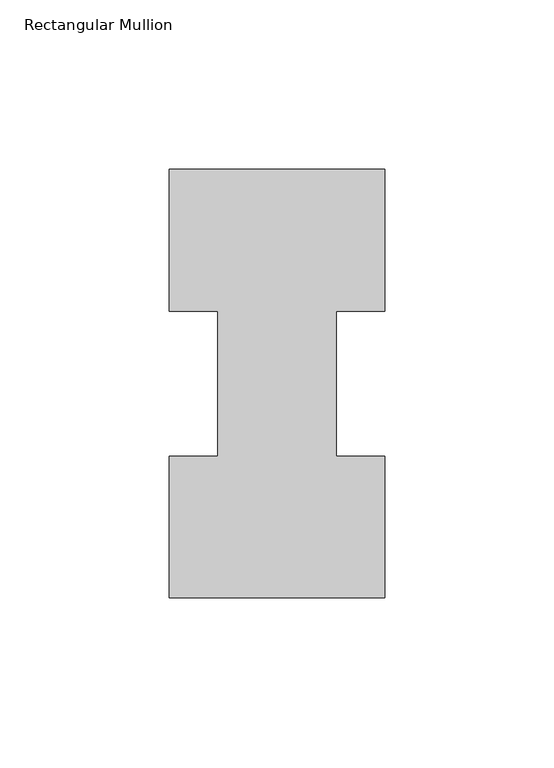
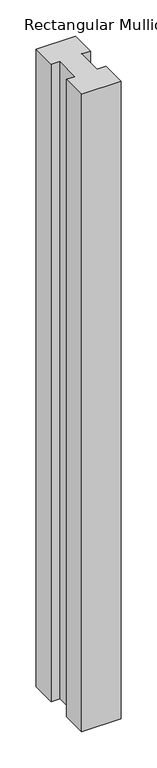
"""IFC4 building model written with IfcOpenShell, lengths in millimetres: member geometry, Rectangular Mullion."""

import ifcopenshell
import ifcopenshell.guid

model = None  # the IFC model being written
_history = None  # IfcOwnerHistory: only IFC2X3 demands one
_inside = {}  # id of a spatial element -> (the spatial element, [elements in it])
_under = {}  # id of a project, library or spatial element -> (it, [spatial elements below it])
_declared = {}  # id of a project -> (the project, [libraries it declares])
_typed = {}  # id of a type object -> (the type object, [elements of that type])
_made_of = {}  # id of a material, layer set ... -> (it, [elements and type objects made of it])


def new_model(schema):
    """Start an empty IFC model of exactly this schema.

    Asked for "IFC4X3", IfcOpenShell would pick the latest addendum, in which some entities
    have other attributes; the version numbers below select the first issue.
    IFC2X3 requires an IfcOwnerHistory on every rooted entity: one is made here for all.
    """
    global model, _history
    if schema == "IFC4X3":
        model = ifcopenshell.file(schema_version=(4, 3, 0, 0))
    else:
        model = ifcopenshell.file(schema=schema)
    _inside.clear()
    _under.clear()
    _declared.clear()
    _typed.clear()
    _made_of.clear()
    _history = None
    if model.schema == "IFC2X3":
        org = make("IfcOrganization", Name="unknown")
        user = make(
            "IfcPersonAndOrganization",
            ThePerson=make("IfcPerson", FamilyName="unknown"),
            TheOrganization=org,
        )
        app = make(
            "IfcApplication",
            ApplicationDeveloper=org,
            Version="unknown",
            ApplicationFullName="unknown",
            ApplicationIdentifier="unknown",
        )
        _history = make(
            "IfcOwnerHistory",
            OwningUser=user,
            OwningApplication=app,
            ChangeAction="ADDED",
            CreationDate=0,
        )
    return model


def make(cls, **values):
    """One entity of the class cls with the attributes given. An attribute that is None is left unset."""
    return model.create_entity(
        cls, **{name: value for name, value in values.items() if value is not None}
    )


def rooted(cls, **values):
    """An entity with a GlobalId (a new one), such as an element, a storey or a relation."""
    return make(cls, GlobalId=ifcopenshell.guid.new(), OwnerHistory=_history, **values)


def si_unit(unit_type, name, prefix=None):
    """IfcSIUnit, for example si_unit("LENGTHUNIT", "METRE", prefix="MILLI")."""
    return make("IfcSIUnit", UnitType=unit_type, Prefix=prefix, Name=name)


def assignment(units):
    """IfcUnitAssignment: the units of a project."""
    return None if units is None else make("IfcUnitAssignment", Units=units)


def point(xyz):
    """IfcCartesianPoint."""
    return None if xyz is None else make("IfcCartesianPoint", Coordinates=xyz)


def direction(xyz):
    """IfcDirection."""
    return None if xyz is None else make("IfcDirection", DirectionRatios=xyz)


def frame(location, z_axis=None, x_axis=None):
    """IfcAxis2Placement3D, a coordinate frame: its origin and axes. An axis left out is left unset."""
    return make(
        "IfcAxis2Placement3D",
        Location=point(location),
        Axis=direction(z_axis),
        RefDirection=direction(x_axis),
    )


def origin():
    """The frame at (0, 0, 0) with its axes left unset."""
    return frame((0.0, 0.0, 0.0))


def place(relative_to, where):
    """IfcLocalPlacement: puts the frame where relative to a parent placement (None: the world)."""
    return make(
        "IfcLocalPlacement", PlacementRelTo=relative_to, RelativePlacement=where
    )


def context(
    kind, dimensions, precision=None, world=None, true_north=None, identifier=None
):
    """IfcGeometricRepresentationContext, for example the 3D "Model" context."""
    return make(
        "IfcGeometricRepresentationContext",
        ContextIdentifier=identifier,
        ContextType=kind,
        CoordinateSpaceDimension=dimensions,
        Precision=precision,
        WorldCoordinateSystem=world,
        TrueNorth=true_north,
    )


def project(units=None, contexts=None):
    """IfcProject with its units and contexts."""
    return rooted(
        "IfcProject",
        Name="project",
        RepresentationContexts=contexts,
        UnitsInContext=assignment(units),
    )


def spatial(cls, under=None, at=None, **own):
    """A site, building, storey or space (cls), placed at a placement, below another one or the project."""
    s = rooted(cls, ObjectPlacement=at, **own)
    if under is not None:
        _under.setdefault(under.id(), (under, []))[1].append(s)
    return s


def polyline(points):
    """IfcPolyline through the points."""
    return make("IfcPolyline", Points=[point(p) for p in points])


def outline(outer, holes=None, kind="AREA"):
    """IfcArbitraryClosedProfileDef: a profile drawn as a closed curve; with holes, ...WithVoids."""
    if holes is None:
        return make("IfcArbitraryClosedProfileDef", ProfileType=kind, OuterCurve=outer)
    return make(
        "IfcArbitraryProfileDefWithVoids",
        ProfileType=kind,
        OuterCurve=outer,
        InnerCurves=holes,
    )


def extrude(swept, where, along, depth):
    """IfcExtrudedAreaSolid: the profile swept, set in the frame where, extruded along a direction by depth."""
    return make(
        "IfcExtrudedAreaSolid",
        SweptArea=swept,
        Position=where,
        ExtrudedDirection=direction(along),
        Depth=depth,
    )


def shape(context_of_items, identifier, shape_type, items):
    """IfcShapeRepresentation: the items that make up one representation, for example the "Body"."""
    return make(
        "IfcShapeRepresentation",
        ContextOfItems=context_of_items,
        RepresentationIdentifier=identifier,
        RepresentationType=shape_type,
        Items=items,
    )


def source(mapping_origin, context_of_items, identifier, shape_type, items):
    """IfcRepresentationMap: a shape defined once, which mapped items show again and again."""
    return make(
        "IfcRepresentationMap",
        MappingOrigin=mapping_origin,
        MappedRepresentation=shape(context_of_items, identifier, shape_type, items),
    )


def transform(
    local_origin,
    x_axis=None,
    y_axis=None,
    z_axis=None,
    scale=None,
    scale2=None,
    scale3=None,
    uniform=True,
):
    """IfcCartesianTransformationOperator3D, or its non-uniform kind. x_axis, y_axis, z_axis: its Axis1, 2, 3."""
    if uniform:
        return make(
            "IfcCartesianTransformationOperator3D",
            Axis1=direction(x_axis),
            Axis2=direction(y_axis),
            LocalOrigin=point(local_origin),
            Scale=scale,
            Axis3=direction(z_axis),
        )
    return make(
        "IfcCartesianTransformationOperator3DnonUniform",
        Axis1=direction(x_axis),
        Axis2=direction(y_axis),
        LocalOrigin=point(local_origin),
        Scale=scale,
        Axis3=direction(z_axis),
        Scale2=scale2,
        Scale3=scale3,
    )


def mapped(mapping_source, mapping_target):
    """IfcMappedItem: shows the shape of a source again, moved by a transform."""
    return make(
        "IfcMappedItem", MappingSource=mapping_source, MappingTarget=mapping_target
    )


def made_of(thing, what):
    """Note that an element or type object is made of a material, layer set ...; save() writes the relation."""
    if what is not None:
        _made_of.setdefault(what.id(), (what, []))[1].append(thing)
    return thing


def element(
    cls,
    number,
    at=None,
    inside=None,
    cuts=None,
    type_object=None,
    material=None,
    context=None,
    identifier="Body",
    shape_type=None,
    held_by="IfcProductDefinitionShape",
    body=None,
    shapes=None,
    **own,
):
    """One element of the class cls, such as IfcWall. Its Tag is "e" and its number.

    at: its placement. inside: the storey or other place that contains it. cuts: it is an
    opening in that element (IfcRelVoidsElement). A single representation is given by context,
    identifier, shape_type and body (its items); several are given by shapes. held_by: the class
    of the entity that holds the representations. save() writes the other relations.
    """
    e = rooted(cls, Tag="e%d" % number, ObjectPlacement=at, **own)
    if body is not None:
        shapes = [shape(context, identifier, shape_type, body)]
    if shapes is not None:
        e.Representation = make(held_by, Representations=shapes)
    if inside is not None:
        _inside.setdefault(inside.id(), (inside, []))[1].append(e)
    if cuts is not None:
        rooted(
            "IfcRelVoidsElement", RelatingBuildingElement=cuts, RelatedOpeningElement=e
        )
    if type_object is not None:
        _typed.setdefault(type_object.id(), (type_object, []))[1].append(e)
    return made_of(e, material)


def aggregate(whole, parts):
    """IfcRelAggregates: a whole, such as a stair, and the parts it consists of."""
    return rooted("IfcRelAggregates", RelatingObject=whole, RelatedObjects=parts)


def save(model, path):
    """Write the relations noted so far, then the file.

    IfcRelAggregates (storeys below a building ...), IfcRelContainedInSpatialStructure (elements
    in a storey), IfcRelDefinesByType, IfcRelAssociatesMaterial and IfcRelDeclares: one each for
    every whole, place, type object, material and project.
    """
    for whole, parts in _under.values():
        aggregate(whole, parts)
    for where, things in _inside.values():
        rooted(
            "IfcRelContainedInSpatialStructure",
            RelatedElements=things,
            RelatingStructure=where,
        )
    for kind, things in _typed.values():
        rooted("IfcRelDefinesByType", RelatedObjects=things, RelatingType=kind)
    for what, things in _made_of.values():
        rooted("IfcRelAssociatesMaterial", RelatedObjects=things, RelatingMaterial=what)
    for by, libraries in _declared.values():
        rooted("IfcRelDeclares", RelatingContext=by, RelatedDefinitions=libraries)
    model.write(path)


def rectangular_mullion_5b480de4(model_context):
    return source(origin(), model_context, "Body", "SweptSolid", [
        extrude(outline(polyline([(-63.5, 0.26035), (-63.5, 42.08145), (-49.2125, 42.08145), (-49.2125, 84.93125), (-63.5, 84.93125), (-63.5, 126.75235), (0.0, 126.75235), (0.0, 84.93125), (-14.2748, 84.93125), (-14.2748, 42.08145), (0.0, 42.08145), (0.0, 0.26035), (-63.5, 0.26035)])), frame((0.0, 0.0, -1079.50635), z_axis=(0.0, 0.0, 1.0), x_axis=(1.0, 0.0, 0.0)), (0.0, 0.0, 1.0), 1079.50635),
    ])


if __name__ == "__main__":
    model = new_model("IFC4")
    model_context = context("Model", 3, world=origin())
    ifc_project = project(units=[si_unit("LENGTHUNIT", "METRE", prefix="MILLI")], contexts=[model_context])
    site = spatial("IfcSite", under=ifc_project)
    building = spatial("IfcBuilding", under=site)
    placement = place(None, origin())
    rectangular_mullion_shape = rectangular_mullion_5b480de4(model_context)
    element("IfcMember", 1, ObjectType="Rectangular Mullion", at=placement, inside=building, context=model_context, shape_type="MappedRepresentation", body=[
        mapped(rectangular_mullion_shape, transform((0.0, 0.0, 0.0), x_axis=(1.0, 0.0, 0.0), y_axis=(0.0, 1.0, 0.0), z_axis=(0.0, 0.0, 1.0))),
    ])
    save(model, "model.ifc")
